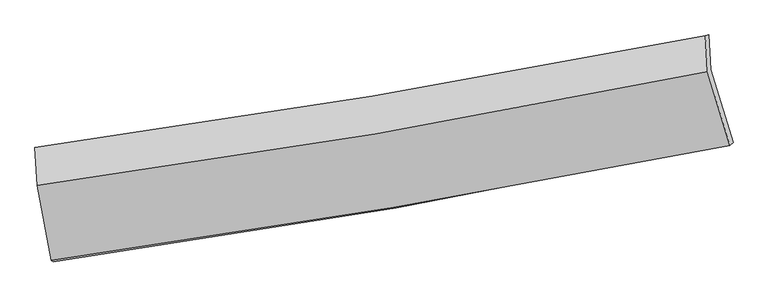
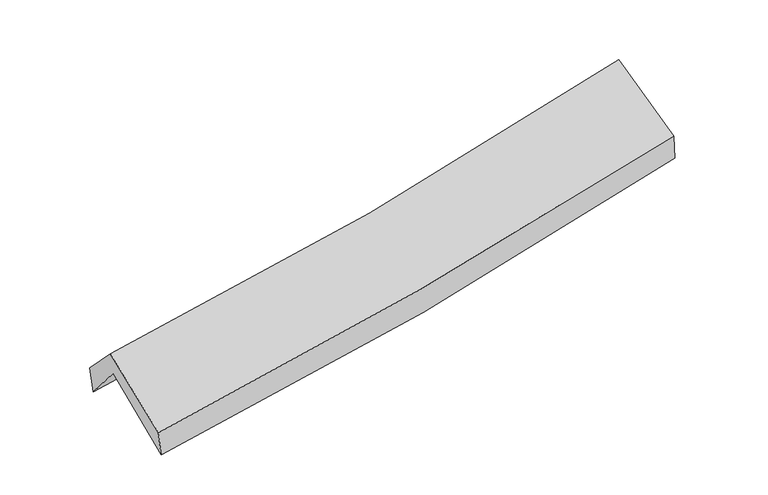
"""IFC4 building model written with IfcOpenShell, lengths in millimetres: proxy geometry."""

from ifc_helpers import new_model, si_unit, frame, origin, place, context, project, spatial, source, transform, mapped, element, save
from ifc_brep_helpers import plane_surface, spline_curve, spline_surface, advanced_brep


def generic_models_8fc7f7f2(model_context):
    return source(origin(), model_context, "Body", "AdvancedBrep", [
        advanced_brep(
        [(-2227.803272, -2461.8701817, 1486.4686556), (-2324.2178541, -1959.2606605, 1913.2433654), (2240.3139537, -1152.976761, 2334.1902691), (2393.6363009, -1647.9775676, 1911.1625491), (-2337.5222525, -1705.5503028, 1604.252646), (2228.7082284, -915.7741646, 2037.6002304), (-2354.035557, -1681.998386, 1802.1315158), (2205.3389016, -919.7473326, 2232.7450975), (-2337.1018088, -1943.1100682, 2072.0717777), (2219.5138757, -1165.1364548, 2522.0682295), (-2242.0133399, -2449.7148269, 1672.9346572), (2371.7181173, -1669.1408238, 2122.8775491)],
        [
            (0, 1),
            (1, 2, spline_curve(3, [(-2324.2178541, -1959.2606605, 1913.2433654), (-1553.02745288, -1852.948907113, 1961.158008251), (-785.550435146, -1732.27728476, 2020.379286939), (735.901324786, -1463.288436757, 2160.87408761), (1489.934909618, -1315.198759198, 2241.96844366), (2240.3139537, -1152.976761, 2334.1902691)], [4, 2, 4], [0.0, 7.715270840668638, 15.369169032775007])),
            (2, 3),
            (3, 0, spline_curve(3, [(2393.6363009, -1647.9775676, 1911.1625491), (1632.801976014, -1811.287930476, 1818.520518526), (868.815360385, -1960.552968873, 1736.905460706), (-671.613741262, -2232.076654437, 1595.163281371), (-1448.106983475, -2354.109153776, 1535.213707968), (-2227.803272, -2461.8701817, 1486.4686556)], [4, 2, 4], [0.0, 7.653898192106369, 15.369169032775007])),
            (1, 4),
            (4, 5, spline_curve(3, [(-2337.5222525, -1705.5503028, 1604.252646), (-1566.658313577, -1596.460148524, 1650.072390794), (-799.20118623, -1475.791528435, 1709.292062669), (722.821656206, -1212.34934178, 1853.953594358), (1477.441355792, -1069.759249392, 1939.183117004), (2228.7082284, -915.7741646, 2037.6002304)], [4, 2, 4], [0.0, 7.667847821585988, 15.274700230398835])),
            (5, 2),
            (4, 6),
            (6, 7, spline_curve(3, [(-2354.035557, -1681.998386, 1802.1315158), (-1585.459739996, -1575.870710766, 1855.351316647), (-819.718012337, -1458.989527929, 1918.026584788), (700.028564567, -1204.735441874, 2061.714278002), (1454.078323208, -1067.532940528, 2142.576870267), (2205.3389016, -919.7473326, 2232.7450975)], [4, 2, 4], [0.0, 7.657781626296, 15.254647913361143])),
            (7, 5),
            (6, 8),
            (8, 9, spline_curve(3, [(-2337.1018088, -1943.1100682, 2072.0717777), (-1567.185938198, -1839.497458374, 2122.087864621), (-801.008596735, -1722.548088158, 2184.795837633), (717.804056937, -1463.012214446, 2334.995771871), (1470.498610459, -1320.63704679, 2422.286616246), (2219.5138757, -1165.1364548, 2522.0682295)], [4, 2, 4], [0.0, 7.649780669710626, 15.238709645382745])),
            (9, 7),
            (8, 10),
            (10, 11, spline_curve(3, [(-2242.0133399, -2449.7148269, 1672.9346572), (-1464.759482513, -2340.814623717, 1726.801898964), (-690.130062885, -2221.013580804, 1791.423260852), (847.738835891, -1960.64951058, 1941.57463596), (1611.019901716, -1820.259218832, 2026.934237876), (2371.7181173, -1669.1408238, 2122.8775491)], [4, 2, 4], [0.0, 7.697845585274609, 15.334457134629005])),
            (11, 9),
            (10, 0),
            (3, 11),
        ],
        [
            spline_surface(3, 3, [[(-2227.803272, -2461.8701817, 1486.4686556), (-1448.106983476, -2354.109153903, 1535.213707965), (-671.613741335, -2232.076654397, 1595.163281376), (868.815360458, -1960.552968913, 1736.905460701), (1632.801975927, -1811.287930423, 1818.520518476), (2393.6363009, -1647.9775676, 1911.1625491)], [(-2259.94146604, -2294.333674614, 1628.726892177), (-1483.080473295, -2187.0557383, 1677.195141343), (-709.592639278, -2065.476864506, 1736.901949861), (824.510681885, -1794.798124846, 1878.228336369), (1585.179620469, -1645.924873383, 1959.669826846), (2342.528851832, -1482.977298737, 2052.171789103)], [(-2292.07966006, -2126.797167586, 1770.985128823), (-1518.053963095, -2020.002322755, 1819.17657479), (-747.571537189, -1898.877074656, 1878.640618351), (780.206003345, -1629.043280819, 2019.551212043), (1537.557265015, -1480.561816332, 2100.819135208), (2291.421402768, -1317.977029863, 2193.181029097)], [(-2324.2178541, -1959.2606605, 1913.2433654), (-1553.027452914, -1852.948907151, 1961.158008168), (-785.550435132, -1732.277284766, 2020.379286836), (735.901324772, -1463.288436751, 2160.874087712), (1489.934909556, -1315.198759293, 2241.968443578), (2240.3139537, -1152.976761, 2334.1902691)]], [4, 4], [4, 2, 4], [0.0, 2.186236592164051], [0.0, 7.715270840668638, 15.369169032775007]),
            spline_surface(3, 3, [[(-2324.2178541, -1959.2606605, 1913.2433654), (-1553.027452914, -1852.948907151, 1961.158008168), (-785.550435132, -1732.277284766, 2020.379286836), (735.901324772, -1463.288436751, 2160.874087712), (1489.934909556, -1315.198759293, 2241.968443578), (2240.3139537, -1152.976761, 2334.1902691)], [(-2328.652653564, -1874.690541278, 1810.246458949), (-1557.571073112, -1767.452654278, 1857.462802357), (-790.100685465, -1646.782032622, 1916.683545469), (731.541435211, -1379.642071792, 2058.567256601), (1485.770391578, -1233.385589308, 2141.040001432), (2236.445378578, -1073.909228888, 2235.326922875)], [(-2333.087453036, -1790.120422022, 1707.249552451), (-1562.114693318, -1681.956401372, 1753.767596499), (-794.650935788, -1561.286780481, 1812.987804058), (727.181545659, -1295.995706836, 1956.260425447), (1481.605873664, -1151.572419259, 2040.111559261), (2232.576803522, -994.841696712, 2136.463576625)], [(-2337.5222525, -1705.5503028, 1604.252646), (-1566.658313516, -1596.460148498, 1650.072390688), (-799.201186121, -1475.791528337, 1709.292062691), (722.821656097, -1212.349341877, 1853.953594337), (1477.441355685, -1069.759249274, 1939.183117115), (2228.7082284, -915.7741646, 2037.6002304)]], [4, 4], [4, 2, 4], [0.0, 1.3125551953011978], [0.0, 7.667847821585988, 15.274700230398835]),
            spline_surface(3, 3, [[(-2337.5222525, -1705.5503028, 1604.252646), (-1566.658313516, -1596.460148498, 1650.072390688), (-799.201186121, -1475.791528337, 1709.292062691), (722.821656097, -1212.349341877, 1853.953594337), (1477.441355685, -1069.759249274, 1939.183117115), (2228.7082284, -915.7741646, 2037.6002304)], [(-2343.026687329, -1697.699663878, 1670.212269272), (-1572.925455663, -1589.597002596, 1718.498699347), (-806.040128177, -1470.190861515, 1778.870236761), (715.223958933, -1209.811375267, 1923.207155528), (1469.653678177, -1069.017146334, 2006.981034809), (2220.918452818, -917.098553929, 2102.648519414)], [(-2348.531122171, -1689.849024922, 1736.171892528), (-1579.192597824, -1582.73385666, 1786.925007992), (-812.879070274, -1464.590194635, 1848.448410821), (707.626261725, -1207.273408599, 1992.460716709), (1461.866000615, -1068.275043406, 2074.778952562), (2213.128677182, -918.422943271, 2167.696808486)], [(-2354.035557, -1681.998386, 1802.1315158), (-1585.459739972, -1575.870710757, 1855.351316651), (-819.71801233, -1458.989527813, 1918.026584891), (700.02856456, -1204.735441989, 2061.7142779), (1454.078323107, -1067.532940466, 2142.576870256), (2205.3389016, -919.7473326, 2232.7450975)]], [4, 4], [4, 2, 4], [0.0, 0.6880937239440851], [0.0, 7.657781626296, 15.254647913361143]),
            spline_surface(3, 3, [[(-2354.035557, -1681.998386, 1802.1315158), (-1585.459739972, -1575.870710757, 1855.351316651), (-819.71801233, -1458.989527813, 1918.026584891), (700.02856456, -1204.735441989, 2061.7142779), (1454.078323107, -1067.532940466, 2142.576870256), (2205.3389016, -919.7473326, 2232.7450975)], [(-2348.39097426, -1769.035613394, 1892.111603102), (-1579.368472681, -1663.746293253, 1944.263499325), (-813.481540482, -1546.842381253, 2006.949669107), (705.953728658, -1290.82769947, 2152.808109243), (1459.551752186, -1151.900975885, 2235.813452295), (2210.063892954, -1001.54370664, 2329.186141514)], [(-2342.74639154, -1856.072840806, 1982.091690398), (-1573.277205411, -1751.621875767, 2033.175681992), (-807.245068567, -1634.695234713, 2095.87275334), (711.878892823, -1376.91995697, 2243.901940604), (1465.025181302, -1236.269011382, 2329.050034292), (2214.788884346, -1083.34008076, 2425.627185486)], [(-2337.1018088, -1943.1100682, 2072.0717777), (-1567.18593812, -1839.497458263, 2122.087864666), (-801.008596719, -1722.548088153, 2184.795837556), (717.804056922, -1463.01221445, 2334.995771948), (1470.498610381, -1320.637046801, 2422.286616331), (2219.5138757, -1165.1364548, 2522.0682295)]], [4, 4], [4, 2, 4], [0.0, 1.2333585925245445], [0.0, 7.649780669710626, 15.238709645382745]),
            spline_surface(3, 3, [[(-2337.1018088, -1943.1100682, 2072.0717777), (-1567.18593812, -1839.497458263, 2122.087864666), (-801.008596719, -1722.548088153, 2184.795837556), (717.804056922, -1463.01221445, 2334.995771948), (1470.498610381, -1320.637046801, 2422.286616331), (2219.5138757, -1165.1364548, 2522.0682295)], [(-2305.40565252, -2111.978321097, 1939.02607084), (-1533.043786307, -2006.60318004, 1990.325876082), (-764.049085392, -1888.703252383, 2053.671645337), (761.115649907, -1628.891313124, 2203.855393279), (1517.339040833, -1487.177770837, 2290.502490201), (2270.248622922, -1333.137911141, 2389.004669356)], [(-2273.70949618, -2280.846574003, 1805.98036406), (-1498.901634433, -2173.708901827, 1858.563887577), (-727.089574132, -2054.858416648, 1922.547453104), (804.427242825, -1794.770411833, 2072.715014596), (1564.17947122, -1653.718494851, 2158.718364105), (2320.983370078, -1501.139367459, 2255.941109244)], [(-2242.0133399, -2449.7148269, 1672.9346572), (-1464.75948262, -2340.814623604, 1726.801898992), (-690.130062805, -2221.013580877, 1791.423260885), (847.738835811, -1960.649510507, 1941.574635927), (1611.019901672, -1820.259218886, 2026.934237975), (2371.7181173, -1669.1408238, 2122.8775491)]], [4, 4], [4, 2, 4], [0.0, 2.119379564668661], [0.0, 7.697845585274609, 15.334457134629005]),
            spline_surface(3, 3, [[(-2242.0133399, -2449.7148269, 1672.9346572), (-1464.75948262, -2340.814623604, 1726.801898992), (-690.130062805, -2221.013580877, 1791.423260885), (847.738835811, -1960.649510507, 1941.574635927), (1611.019901672, -1820.259218886, 2026.934237975), (2371.7181173, -1669.1408238, 2122.8775491)], [(-2237.276650588, -2453.76661184, 1610.77932336), (-1459.20864956, -2345.24613371, 1662.939168677), (-683.957955649, -2224.701272064, 1726.0032677), (854.764344026, -1960.617329989, 1873.351577504), (1618.280593086, -1817.268789397, 1957.462998146), (2379.024178495, -1662.086405065, 2052.305882438)], [(-2232.539961312, -2457.81839676, 1548.62398944), (-1453.657816536, -2349.677643797, 1599.07643828), (-677.785848491, -2228.38896321, 1660.583274561), (861.789852243, -1960.585149431, 1805.128519125), (1625.541284514, -1814.278359912, 1887.991758304), (2386.330239705, -1655.031986335, 1981.734215762)], [(-2227.803272, -2461.8701817, 1486.4686556), (-1448.106983476, -2354.109153903, 1535.213707965), (-671.613741335, -2232.076654397, 1595.163281376), (868.815360458, -1960.552968913, 1736.905460701), (1632.801975927, -1811.287930423, 1818.520518476), (2393.6363009, -1647.9775676, 1911.1625491)]], [4, 4], [4, 2, 4], [0.0, 0.6610271518629354], [0.0, 7.753158793724742, 15.444643551667546]),
            plane_surface(frame((2276.5382296, -1245.1255174, 2193.4406541), z_axis=(0.9727054302512022, 0.19828898931792255, 0.12052229119586315), x_axis=(0.23036413509891068, -0.7628205974127152, -0.6041830032556684))),
            plane_surface(frame((-2303.7823474, -2033.584071, 1758.517103), z_axis=(-0.9888609463357793, -0.13306871818270583, -0.06668391899940068), x_axis=(-0.07582694303863605, 0.0648627016901942, 0.995009097766882))),
        ],
        [
            (0, [[1, 2, 3, 4]]),
            (1, [[5, 6, 7, -2]]),
            (2, [[8, 9, 10, -6]]),
            (3, [[11, 12, 13, -9]]),
            (4, [[14, 15, 16, -12]]),
            (5, [[17, -4, 18, -15]]),
            (6, [[-16, -18, -3, -7, -10, -13]]),
            (7, [[-17, -14, -11, -8, -5, -1]]),
        ],
    ),
    ])


if __name__ == "__main__":
    model = new_model("IFC4")
    model_context = context("Model", 3, world=origin())
    ifc_project = project(units=[si_unit("LENGTHUNIT", "METRE", prefix="MILLI")], contexts=[model_context])
    site = spatial("IfcSite", under=ifc_project)
    building = spatial("IfcBuilding", under=site)
    placement = place(None, origin())
    generic_models_shape = generic_models_8fc7f7f2(model_context)
    element("IfcBuildingElementProxy", 1, Name="Generic Models", at=placement, inside=building, context=model_context, shape_type="MappedRepresentation", body=[
        mapped(generic_models_shape, transform((0.0, 0.0, 0.0), x_axis=(1.0, 0.0, 0.0), y_axis=(0.0, 1.0, 0.0), z_axis=(0.0, 0.0, 1.0))),
    ])
    save(model, "model.ifc")
